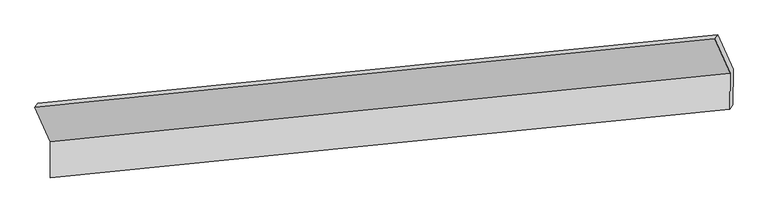
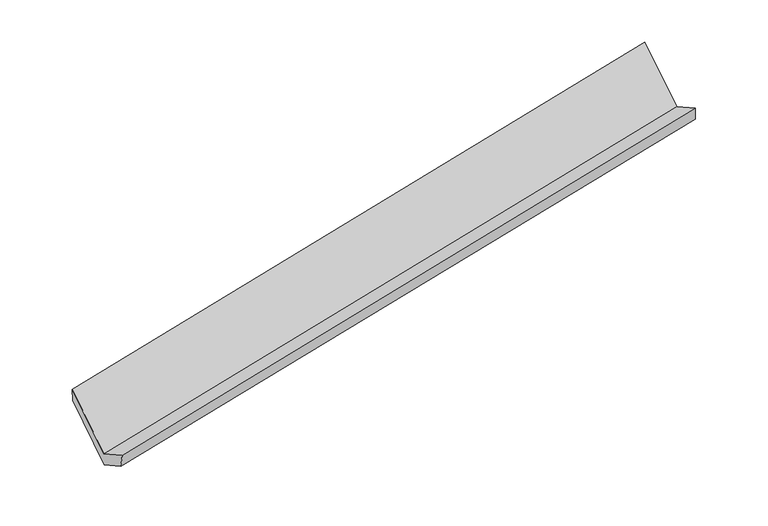
"""IFC4 building model written with IfcOpenShell, lengths in millimetres: proxy geometry."""

import ifcopenshell
import ifcopenshell.guid

model = None  # the IFC model being written
_history = None  # IfcOwnerHistory: only IFC2X3 demands one
_inside = {}  # id of a spatial element -> (the spatial element, [elements in it])
_under = {}  # id of a project, library or spatial element -> (it, [spatial elements below it])
_declared = {}  # id of a project -> (the project, [libraries it declares])
_typed = {}  # id of a type object -> (the type object, [elements of that type])
_made_of = {}  # id of a material, layer set ... -> (it, [elements and type objects made of it])


def new_model(schema):
    """Start an empty IFC model of exactly this schema.

    Asked for "IFC4X3", IfcOpenShell would pick the latest addendum, in which some entities
    have other attributes; the version numbers below select the first issue.
    IFC2X3 requires an IfcOwnerHistory on every rooted entity: one is made here for all.
    """
    global model, _history
    if schema == "IFC4X3":
        model = ifcopenshell.file(schema_version=(4, 3, 0, 0))
    else:
        model = ifcopenshell.file(schema=schema)
    _inside.clear()
    _under.clear()
    _declared.clear()
    _typed.clear()
    _made_of.clear()
    _history = None
    if model.schema == "IFC2X3":
        org = make("IfcOrganization", Name="unknown")
        user = make(
            "IfcPersonAndOrganization",
            ThePerson=make("IfcPerson", FamilyName="unknown"),
            TheOrganization=org,
        )
        app = make(
            "IfcApplication",
            ApplicationDeveloper=org,
            Version="unknown",
            ApplicationFullName="unknown",
            ApplicationIdentifier="unknown",
        )
        _history = make(
            "IfcOwnerHistory",
            OwningUser=user,
            OwningApplication=app,
            ChangeAction="ADDED",
            CreationDate=0,
        )
    return model


def make(cls, **values):
    """One entity of the class cls with the attributes given. An attribute that is None is left unset."""
    return model.create_entity(
        cls, **{name: value for name, value in values.items() if value is not None}
    )


def rooted(cls, **values):
    """An entity with a GlobalId (a new one), such as an element, a storey or a relation."""
    return make(cls, GlobalId=ifcopenshell.guid.new(), OwnerHistory=_history, **values)


def si_unit(unit_type, name, prefix=None):
    """IfcSIUnit, for example si_unit("LENGTHUNIT", "METRE", prefix="MILLI")."""
    return make("IfcSIUnit", UnitType=unit_type, Prefix=prefix, Name=name)


def assignment(units):
    """IfcUnitAssignment: the units of a project."""
    return None if units is None else make("IfcUnitAssignment", Units=units)


def point(xyz):
    """IfcCartesianPoint."""
    return None if xyz is None else make("IfcCartesianPoint", Coordinates=xyz)


def direction(xyz):
    """IfcDirection."""
    return None if xyz is None else make("IfcDirection", DirectionRatios=xyz)


def frame(location, z_axis=None, x_axis=None):
    """IfcAxis2Placement3D, a coordinate frame: its origin and axes. An axis left out is left unset."""
    return make(
        "IfcAxis2Placement3D",
        Location=point(location),
        Axis=direction(z_axis),
        RefDirection=direction(x_axis),
    )


def origin():
    """The frame at (0, 0, 0) with its axes left unset."""
    return frame((0.0, 0.0, 0.0))


def place(relative_to, where):
    """IfcLocalPlacement: puts the frame where relative to a parent placement (None: the world)."""
    return make(
        "IfcLocalPlacement", PlacementRelTo=relative_to, RelativePlacement=where
    )


def context(
    kind, dimensions, precision=None, world=None, true_north=None, identifier=None
):
    """IfcGeometricRepresentationContext, for example the 3D "Model" context."""
    return make(
        "IfcGeometricRepresentationContext",
        ContextIdentifier=identifier,
        ContextType=kind,
        CoordinateSpaceDimension=dimensions,
        Precision=precision,
        WorldCoordinateSystem=world,
        TrueNorth=true_north,
    )


def project(units=None, contexts=None):
    """IfcProject with its units and contexts."""
    return rooted(
        "IfcProject",
        Name="project",
        RepresentationContexts=contexts,
        UnitsInContext=assignment(units),
    )


def spatial(cls, under=None, at=None, **own):
    """A site, building, storey or space (cls), placed at a placement, below another one or the project."""
    s = rooted(cls, ObjectPlacement=at, **own)
    if under is not None:
        _under.setdefault(under.id(), (under, []))[1].append(s)
    return s


def shape(context_of_items, identifier, shape_type, items):
    """IfcShapeRepresentation: the items that make up one representation, for example the "Body"."""
    return make(
        "IfcShapeRepresentation",
        ContextOfItems=context_of_items,
        RepresentationIdentifier=identifier,
        RepresentationType=shape_type,
        Items=items,
    )


def source(mapping_origin, context_of_items, identifier, shape_type, items):
    """IfcRepresentationMap: a shape defined once, which mapped items show again and again."""
    return make(
        "IfcRepresentationMap",
        MappingOrigin=mapping_origin,
        MappedRepresentation=shape(context_of_items, identifier, shape_type, items),
    )


def transform(
    local_origin,
    x_axis=None,
    y_axis=None,
    z_axis=None,
    scale=None,
    scale2=None,
    scale3=None,
    uniform=True,
):
    """IfcCartesianTransformationOperator3D, or its non-uniform kind. x_axis, y_axis, z_axis: its Axis1, 2, 3."""
    if uniform:
        return make(
            "IfcCartesianTransformationOperator3D",
            Axis1=direction(x_axis),
            Axis2=direction(y_axis),
            LocalOrigin=point(local_origin),
            Scale=scale,
            Axis3=direction(z_axis),
        )
    return make(
        "IfcCartesianTransformationOperator3DnonUniform",
        Axis1=direction(x_axis),
        Axis2=direction(y_axis),
        LocalOrigin=point(local_origin),
        Scale=scale,
        Axis3=direction(z_axis),
        Scale2=scale2,
        Scale3=scale3,
    )


def mapped(mapping_source, mapping_target):
    """IfcMappedItem: shows the shape of a source again, moved by a transform."""
    return make(
        "IfcMappedItem", MappingSource=mapping_source, MappingTarget=mapping_target
    )


def made_of(thing, what):
    """Note that an element or type object is made of a material, layer set ...; save() writes the relation."""
    if what is not None:
        _made_of.setdefault(what.id(), (what, []))[1].append(thing)
    return thing


def element(
    cls,
    number,
    at=None,
    inside=None,
    cuts=None,
    type_object=None,
    material=None,
    context=None,
    identifier="Body",
    shape_type=None,
    held_by="IfcProductDefinitionShape",
    body=None,
    shapes=None,
    **own,
):
    """One element of the class cls, such as IfcWall. Its Tag is "e" and its number.

    at: its placement. inside: the storey or other place that contains it. cuts: it is an
    opening in that element (IfcRelVoidsElement). A single representation is given by context,
    identifier, shape_type and body (its items); several are given by shapes. held_by: the class
    of the entity that holds the representations. save() writes the other relations.
    """
    e = rooted(cls, Tag="e%d" % number, ObjectPlacement=at, **own)
    if body is not None:
        shapes = [shape(context, identifier, shape_type, body)]
    if shapes is not None:
        e.Representation = make(held_by, Representations=shapes)
    if inside is not None:
        _inside.setdefault(inside.id(), (inside, []))[1].append(e)
    if cuts is not None:
        rooted(
            "IfcRelVoidsElement", RelatingBuildingElement=cuts, RelatedOpeningElement=e
        )
    if type_object is not None:
        _typed.setdefault(type_object.id(), (type_object, []))[1].append(e)
    return made_of(e, material)


def aggregate(whole, parts):
    """IfcRelAggregates: a whole, such as a stair, and the parts it consists of."""
    return rooted("IfcRelAggregates", RelatingObject=whole, RelatedObjects=parts)


def save(model, path):
    """Write the relations noted so far, then the file.

    IfcRelAggregates (storeys below a building ...), IfcRelContainedInSpatialStructure (elements
    in a storey), IfcRelDefinesByType, IfcRelAssociatesMaterial and IfcRelDeclares: one each for
    every whole, place, type object, material and project.
    """
    for whole, parts in _under.values():
        aggregate(whole, parts)
    for where, things in _inside.values():
        rooted(
            "IfcRelContainedInSpatialStructure",
            RelatedElements=things,
            RelatingStructure=where,
        )
    for kind, things in _typed.values():
        rooted("IfcRelDefinesByType", RelatedObjects=things, RelatingType=kind)
    for what, things in _made_of.values():
        rooted("IfcRelAssociatesMaterial", RelatedObjects=things, RelatingMaterial=what)
    for by, libraries in _declared.values():
        rooted("IfcRelDeclares", RelatingContext=by, RelatedDefinitions=libraries)
    model.write(path)


def plane_surface(at):
    """IfcPlane: the flat surface through the origin of the frame at, square to its z axis."""
    return make("IfcPlane", Position=at)


def spline_surface(u_degree, v_degree, points, u_multiplicities, v_multiplicities, u_knots, v_knots, weights=None):
    """IfcBSplineSurfaceWithKnots; with weights, IfcRationalBSplineSurfaceWithKnots. points: one row for each step in u."""
    own = dict(
        UDegree=u_degree,
        VDegree=v_degree,
        ControlPointsList=[[point(p) for p in row] for row in points],
        SurfaceForm="UNSPECIFIED",
        UClosed=False,
        VClosed=False,
        SelfIntersect=False,
        UMultiplicities=u_multiplicities,
        VMultiplicities=v_multiplicities,
        UKnots=u_knots,
        VKnots=v_knots,
        KnotSpec="UNSPECIFIED",
    )
    if weights is None:
        return make("IfcBSplineSurfaceWithKnots", **own)
    return make("IfcRationalBSplineSurfaceWithKnots", WeightsData=weights, **own)


def advanced_brep(points, edges, surfaces, faces):
    """IfcAdvancedBrep: a solid bounded by faces that lie on surfaces and meet in shared edges.

    An edge is (start, end): straight between two places in points (the first is 0);
    or (start, end, curve); or (start, end, curve, False) where it runs against its curve.
    A face is (place in surfaces, loops), or (place, loops, False) where it looks against
    its surface's normal. A loop lists edges by number (the first is 1), with a minus sign
    where the edge is run from its end to its start. The first loop is the outer one.
    """
    corners = [point(p) for p in points]
    vertices = [make("IfcVertexPoint", VertexGeometry=c) for c in corners]
    made = []
    for start, end, *more in edges:
        made.append(
            make(
                "IfcEdgeCurve",
                EdgeStart=vertices[start],
                EdgeEnd=vertices[end],
                EdgeGeometry=more[0] if more else make("IfcPolyline", Points=[corners[start], corners[end]]),
                SameSense=more[1] if len(more) > 1 else True,
            )
        )
    hull = []
    for where, loops, *sense in faces:
        bounds = []
        for j, loop in enumerate(loops):
            ring = [make("IfcOrientedEdge", EdgeElement=made[abs(k) - 1], Orientation=k > 0) for k in loop]
            bounds.append(
                make(
                    "IfcFaceOuterBound" if j == 0 else "IfcFaceBound",
                    Bound=make("IfcEdgeLoop", EdgeList=ring),
                    Orientation=True,
                )
            )
        hull.append(make("IfcAdvancedFace", Bounds=bounds, FaceSurface=surfaces[where], SameSense=sense[0] if sense else True))
    return make("IfcAdvancedBrep", Outer=make("IfcClosedShell", CfsFaces=hull))


def generic_models_022ece7a(model_context):
    return source(origin(), model_context, "Body", "AdvancedBrep", [
        advanced_brep(
        [(-6162.5575723, -1519.8252712, 1706.5460742), (-6017.4799476, -1843.3004306, 1136.4412575), (367.2641635, -1201.2783392, 2368.8300084), (222.1865388, -877.8031797, 2938.9348252), (-6020.0889459, -2182.7312331, 1328.3689916), (364.6551651, -1540.7091416, 2560.7577425), (-5993.2471424, -2112.0515032, 1154.2039414), (391.2962477, -1496.1432224, 2401.3584839), (-5990.8981605, -1806.4488478, 981.4039929), (393.8459506, -1164.4267563, 2213.7927438), (-6135.9757851, -1482.9736883, 1551.5088097), (248.7683259, -840.9515969, 2783.8975606)],
        [
            (0, 1),
            (1, 2),
            (2, 3),
            (3, 0),
            (1, 4),
            (4, 5),
            (5, 2),
            (4, 6),
            (6, 7),
            (7, 5),
            (6, 8),
            (8, 9),
            (9, 7),
            (8, 10),
            (10, 11),
            (11, 9),
            (10, 0),
            (3, 11),
        ],
        [
            plane_surface(frame((-6090.0187599, -1681.5628509, 1421.4936659), z_axis=(-0.007437807639407601, -0.8705371430635027, 0.49204650345709566), x_axis=(0.2161001739523568, -0.4818319736566889, -0.8491988365393943))),
            plane_surface(frame((-6018.7844468, -2013.0158319, 1232.4051245), z_axis=(-0.21253437837960648, 0.48219632001420676, 0.8498916677856957), x_axis=(-0.006690699833368601, -0.8704603557699295, 0.4921930551812243))),
            spline_surface(1, 1, [[(-6020.0889459, -2182.7312331, 1328.3689916), (364.6551651, -1540.7091416, 2560.7577425)], [(-5993.2471424, -2112.0515032, 1154.2039414), (391.2962477, -1496.1432224, 2401.3584839)]], [2, 2], [2, 2], [0.0, 1.0], [0.0, 1.0]),
            plane_surface(frame((-5992.0726514, -1959.2501755, 1067.8039671), z_axis=(0.21253437837960779, -0.48219632001415497, -0.8498916677857248), x_axis=(0.006690699833323327, 0.8704603557699548, -0.49219305518118006))),
            plane_surface(frame((-6063.4369728, -1644.7112681, 1266.4564013), z_axis=(0.007437807639394389, 0.8705371430635327, -0.4920465034570435), x_axis=(-0.21610017395232828, 0.4818319736566383, 0.8491988365394304))),
            plane_surface(frame((-6149.2666787, -1501.3994797, 1629.027442), z_axis=(-0.13731069739117668, 0.9687176651482284, 0.20671685371955906), x_axis=(-0.16453339972883493, -0.228100397567734, 0.9596348102289293))),
            plane_surface(frame((331.3360653, -1186.8853727, 2544.5952274), z_axis=(0.9763482725715821, 0.10068127032857761, 0.19133042740638964), x_axis=(-0.21610017395232828, 0.4818319736566383, 0.8491988365394304))),
            plane_surface(frame((-6053.3745923, -1824.5551624, 1309.7455112), z_axis=(-0.9763482725715811, -0.10068127032843333, -0.19133042740647055), x_axis=(0.1645333997289356, 0.22810039756779657, -0.9596348102288972))),
        ],
        [
            (0, [[1, 2, 3, 4]]),
            (1, [[5, 6, 7, -2]]),
            (2, [[8, 9, 10, -6]]),
            (3, [[11, 12, 13, -9]]),
            (4, [[14, 15, 16, -12]]),
            (5, [[17, -4, 18, -15]]),
            (6, [[-16, -18, -3, -7, -10, -13]]),
            (7, [[-17, -14, -11, -8, -5, -1]]),
        ],
    ),
    ])


if __name__ == "__main__":
    model = new_model("IFC4")
    model_context = context("Model", 3, world=origin())
    ifc_project = project(units=[si_unit("LENGTHUNIT", "METRE", prefix="MILLI")], contexts=[model_context])
    site = spatial("IfcSite", under=ifc_project)
    building = spatial("IfcBuilding", under=site)
    placement = place(None, origin())
    generic_models_shape = generic_models_022ece7a(model_context)
    element("IfcBuildingElementProxy", 1, Name="Generic Models", at=placement, inside=building, context=model_context, shape_type="MappedRepresentation", body=[
        mapped(generic_models_shape, transform((0.0, 0.0, 0.0), x_axis=(1.0, 0.0, 0.0), y_axis=(0.0, 1.0, 0.0), z_axis=(0.0, 0.0, 1.0))),
    ])
    save(model, "model.ifc")
